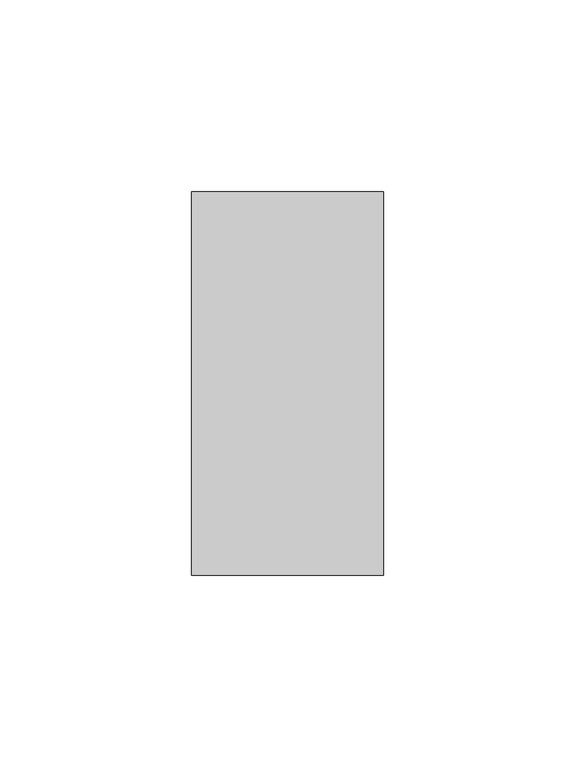
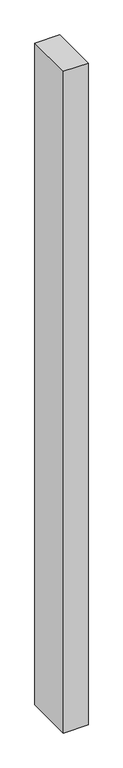
"""IFC4 building model written with IfcOpenShell, lengths in millimetres: member geometry."""

from ifc_helpers import new_model, si_unit, frame, origin, place, context, project, spatial, polyline, outline, extrude, source, transform, mapped, element, save


def member_800c58e3(model_context):
    return source(origin(), model_context, "Body", "SweptSolid", [
        extrude(outline(polyline([(0.0, 50.0), (0.0, -50.0), (-50.0, -50.0), (-50.0, 50.0), (0.0, 50.0)])), frame((0.0, 0.0, -1417.2823646), z_axis=(0.0, 0.0, 1.0), x_axis=(1.0, 0.0, 0.0)), (0.0, 0.0, 1.0), 1417.2823646),
    ])


if __name__ == "__main__":
    model = new_model("IFC4")
    model_context = context("Model", 3, world=origin())
    ifc_project = project(units=[si_unit("LENGTHUNIT", "METRE", prefix="MILLI")], contexts=[model_context])
    site = spatial("IfcSite", under=ifc_project)
    building = spatial("IfcBuilding", under=site)
    placement = place(None, origin())
    member_shape = member_800c58e3(model_context)
    element("IfcMember", 1, at=placement, inside=building, context=model_context, shape_type="MappedRepresentation", body=[
        mapped(member_shape, transform((0.0, 0.0, 0.0), x_axis=(1.0, 0.0, 0.0), y_axis=(0.0, 1.0, 0.0), z_axis=(0.0, 0.0, 1.0))),
    ])
    save(model, "model.ifc")
